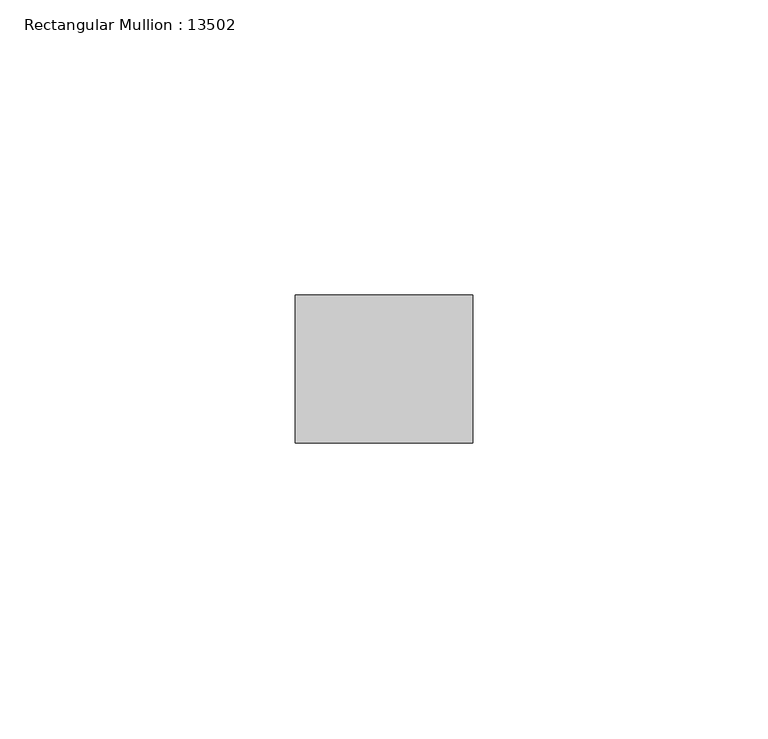
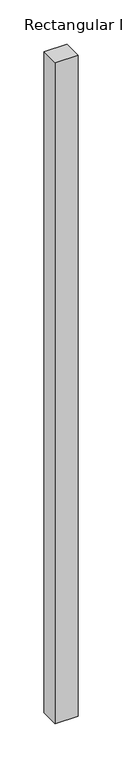
"""IFC4 building model written with IfcOpenShell, lengths in millimetres: member geometry, Rectangular Mullion : 13502."""

from ifc_helpers import new_model, si_unit, frame, origin, place, context, project, spatial, polyline, outline, extrude, source, transform, mapped, element, save


def rectangular_mullion_13502_5e5de37f(model_context):
    return source(origin(), model_context, "Body", "SweptSolid", [
        extrude(outline(polyline([(0.0, 12.5), (0.0, -12.5), (-29.9999993, -12.5), (-29.9999993, 12.5), (0.0, 12.5)])), frame((0.0, 0.0, -912.5), z_axis=(0.0, 0.0, 1.0), x_axis=(1.0, 0.0, 0.0)), (0.0, 0.0, 1.0), 912.5),
    ])


if __name__ == "__main__":
    model = new_model("IFC4")
    model_context = context("Model", 3, world=origin())
    ifc_project = project(units=[si_unit("LENGTHUNIT", "METRE", prefix="MILLI")], contexts=[model_context])
    site = spatial("IfcSite", under=ifc_project)
    building = spatial("IfcBuilding", under=site)
    placement = place(None, origin())
    rectangular_mullion_13502_shape = rectangular_mullion_13502_5e5de37f(model_context)
    element("IfcMember", 1, ObjectType="Rectangular Mullion : 13502", at=placement, inside=building, context=model_context, shape_type="MappedRepresentation", body=[
        mapped(rectangular_mullion_13502_shape, transform((0.0, 0.0, 0.0), x_axis=(1.0, 0.0, 0.0), y_axis=(0.0, 1.0, 0.0), z_axis=(0.0, 0.0, 1.0))),
    ])
    save(model, "model.ifc")
